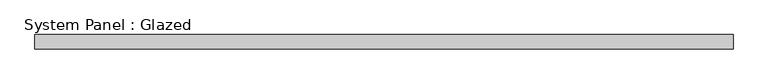
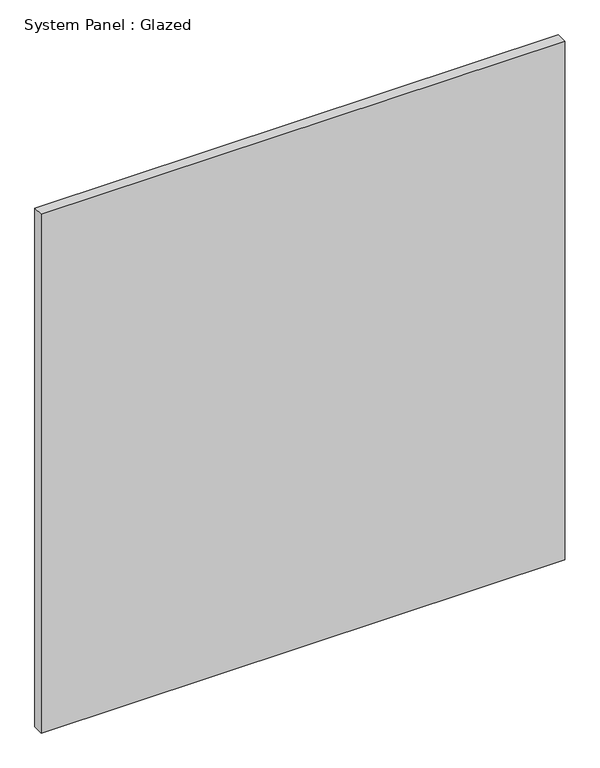
"""IFC4 building model written with IfcOpenShell, lengths in millimetres: plate geometry, System Panel : Glazed."""

from ifc_helpers import new_model, si_unit, origin, origin_with_axes, place, context, project, spatial, polyline, outline, extrude, source, transform, mapped, element, save


def system_panel_glazed_3693f71b(model_context):
    return source(origin(), model_context, "Body", "SweptSolid", [
        extrude(outline(polyline([(610.0000002, 24.5), (-610.0000002, 24.5), (-610.0000002, 49.5), (610.0000002, 49.5), (610.0000002, 24.5)])), origin_with_axes(), (0.0, 0.0, 1.0), 1277.830469),
    ])


if __name__ == "__main__":
    model = new_model("IFC4")
    model_context = context("Model", 3, world=origin())
    ifc_project = project(units=[si_unit("LENGTHUNIT", "METRE", prefix="MILLI")], contexts=[model_context])
    site = spatial("IfcSite", under=ifc_project)
    building = spatial("IfcBuilding", under=site)
    placement = place(None, origin())
    system_panel_glazed_shape = system_panel_glazed_3693f71b(model_context)
    element("IfcPlate", 1, ObjectType="System Panel : Glazed", at=placement, inside=building, context=model_context, shape_type="MappedRepresentation", body=[
        mapped(system_panel_glazed_shape, transform((0.0, 0.0, 0.0), x_axis=(1.0, 0.0, 0.0), y_axis=(0.0, 1.0, 0.0), z_axis=(0.0, 0.0, 1.0))),
    ])
    save(model, "model.ifc")
